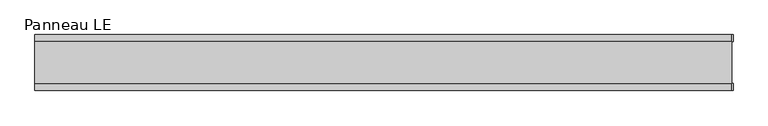
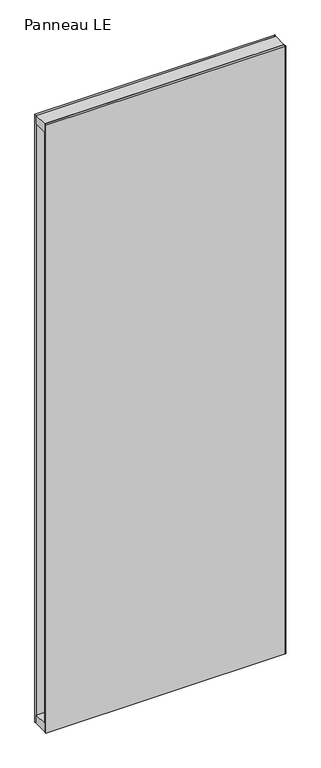
"""IFC4 building model written with IfcOpenShell, lengths in millimetres: plate geometry, Panneau LE."""

from ifc_helpers import new_model, si_unit, frame, origin, origin_with_axes, place, context, project, spatial, polyline, outline, extrude, source, transform, mapped, element, save


def panneau_le_f52e70d5(model_context):
    return source(origin(), model_context, "Body", "SweptSolid", [
        extrude(outline(polyline([(548.0000001, 43.8), (548.0000001, 33.0), (546.0000001, 33.0), (546.0000001, 43.8), (548.0000001, 43.8)])), origin_with_axes(), (0.0, 0.0, 1.0), 2933.0),
        extrude(outline(polyline([(548.0000001, -33.0), (548.0000001, -43.8), (546.0000001, -43.8), (546.0000001, -33.0), (548.0000001, -33.0)])), origin_with_axes(), (0.0, 0.0, 1.0), 2933.0),
        extrude(outline(polyline([(546.0000001, -33.0), (-546.0000001, -33.0), (-546.0000001, 33.0), (546.0000001, 33.0), (546.0000001, -33.0)])), frame((0.0, 0.0, 2893.0), z_axis=(0.0, 0.0, 1.0), x_axis=(1.0, 0.0, 0.0)), (0.0, 0.0, 1.0), 40.0),
        extrude(outline(polyline([(546.0000001, -33.0), (-546.0000001, -33.0), (-546.0000001, 33.0), (546.0000001, 33.0), (546.0000001, -33.0)])), origin_with_axes(), (0.0, 0.0, 1.0), 40.0),
        extrude(outline(polyline([(546.0000001, 33.0), (-546.0000001, 33.0), (-546.0000001, 43.8), (546.0000001, 43.8), (546.0000001, 33.0)])), origin_with_axes(), (0.0, 0.0, 1.0), 2933.0),
        extrude(outline(polyline([(-546.0000001, -43.8), (-546.0000001, -33.0), (546.0000001, -33.0), (546.0000001, -43.8), (-546.0000001, -43.8)])), origin_with_axes(), (0.0, 0.0, 1.0), 2933.0),
    ])


if __name__ == "__main__":
    model = new_model("IFC4")
    model_context = context("Model", 3, world=origin())
    ifc_project = project(units=[si_unit("LENGTHUNIT", "METRE", prefix="MILLI")], contexts=[model_context])
    site = spatial("IfcSite", under=ifc_project)
    building = spatial("IfcBuilding", under=site)
    placement = place(None, origin())
    panneau_le_shape = panneau_le_f52e70d5(model_context)
    element("IfcPlate", 1, ObjectType="Panneau LE", at=placement, inside=building, context=model_context, shape_type="MappedRepresentation", body=[
        mapped(panneau_le_shape, transform((0.0, 0.0, 0.0), x_axis=(1.0, 0.0, 0.0), y_axis=(0.0, 1.0, 0.0), z_axis=(0.0, 0.0, 1.0))),
    ])
    save(model, "model.ifc")
